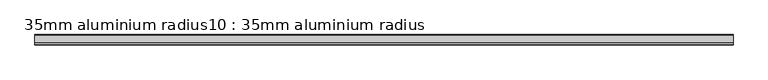
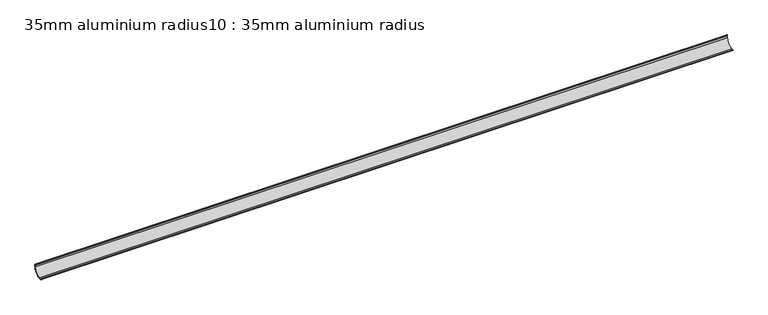
"""IFC4 building model written with IfcOpenShell, lengths in millimetres: proxy geometry, 35mm aluminium radius10 : 35mm aluminium radius."""

from ifc_helpers import new_model, si_unit, point, frame, frame_2d, origin, place, context, project, spatial, polyline, circle_curve, trimmed, segment, composite_curve, outline, extrude, source, transform, mapped, element, save


def proxy_35mm_aluminium_radius10_35mm_aluminium_radius_e5038175(model_context):
    return source(origin(), model_context, "Body", "SweptSolid", [
        extrude(outline(composite_curve([segment(trimmed(circle_curve(frame_2d((-9056.5783258, 33.7699793)), 1.2042709), [point((-9057.4871891, 34.5600654))], [point((-9057.7538557, 33.5084497))], True, "CARTESIAN"), True, "CONTINUOUS"), segment(polyline([(-9057.7538557, 33.5084497), (-9057.7538557, 26.8)]), True, "CONTINUOUS"), segment(trimmed(circle_curve(frame_2d((-9084.1538557, 26.8)), 26.4), [point((-9057.7538557, 26.8))], [point((-9058.9951594, 18.8))], False, "CARTESIAN"), True, "CONTINUOUS"), segment(polyline([(-9058.9951594, 18.8), (-9057.3538557, 18.8), (-9057.3538557, 17.4), (-9059.4840361, 17.4)]), True, "CONTINUOUS"), segment(trimmed(circle_curve(frame_2d((-9084.1538557, 26.8)), 26.4), [point((-9059.4840361, 17.4))], [point((-9074.7538557, 2.1301804))], False, "CARTESIAN"), True, "CONTINUOUS"), segment(polyline([(-9074.7538557, 2.1301804), (-9074.7538557, 0.0), (-9076.1538557, 0.0), (-9076.1538557, 1.6413037)]), True, "CONTINUOUS"), segment(trimmed(circle_curve(frame_2d((-9084.1538557, 26.8)), 26.4), [point((-9076.1538557, 1.6413037))], [point((-9084.1538557, 0.4))], False, "CARTESIAN"), True, "CONTINUOUS"), segment(polyline([(-9084.1538557, 0.4), (-9090.5001478, 0.4)]), True, "CONTINUOUS"), segment(trimmed(circle_curve(frame_2d((-9090.6943415, -2.4514518)), 2.8580567), [point((-9090.5001478, 0.4))], [point((-9091.9139211, 0.1333333))], True, "CARTESIAN"), True, "CONTINUOUS"), segment(trimmed(circle_curve(frame_2d((-9092.2538557, 0.5)), 0.5), [point((-9091.9139211, 0.1333333))], [point((-9092.626609, 0.8332491))], False, "CARTESIAN"), True, "CONTINUOUS"), segment(trimmed(circle_curve(frame_2d((-9090.420731, -1.2)), 3.0), [point((-9092.626609, 0.8332491))], [point((-9090.420731, 1.8))], False, "CARTESIAN"), True, "CONTINUOUS"), segment(polyline([(-9090.420731, 1.8), (-9084.1538557, 1.8)]), True, "CONTINUOUS"), segment(trimmed(circle_curve(frame_2d((-9084.1538557, 26.8)), 25.0), [point((-9084.1538557, 1.8))], [point((-9059.1538557, 26.8))], True, "CARTESIAN"), True, "CONTINUOUS"), segment(polyline([(-9059.1538557, 26.8), (-9059.1538557, 33.0668752)]), True, "CONTINUOUS"), segment(trimmed(circle_curve(frame_2d((-9056.1538557, 33.0668752)), 3.0), [point((-9059.1538557, 33.0668752))], [point((-9058.2004747, 35.2603544))], False, "CARTESIAN"), True, "CONTINUOUS"), segment(trimmed(circle_curve(frame_2d((-9057.8538557, 34.9)), 0.5), [point((-9058.2004747, 35.2603544))], [point((-9057.4871891, 34.5600654))], False, "CARTESIAN"), True, "CONTINUOUS")], self_intersect=False)), frame((4244.6309284, 0.0, 0.0), z_axis=(1.0, 0.0, 0.0), x_axis=(0.0, 1.0, 0.0)), (0.0, 0.0, 1.0), 2400.0),
    ])


if __name__ == "__main__":
    model = new_model("IFC4")
    model_context = context("Model", 3, world=origin())
    ifc_project = project(units=[si_unit("LENGTHUNIT", "METRE", prefix="MILLI")], contexts=[model_context])
    site = spatial("IfcSite", under=ifc_project)
    building = spatial("IfcBuilding", under=site)
    placement = place(None, origin())
    proxy_35mm_aluminium_radius10_35mm_aluminium_radius_shape = proxy_35mm_aluminium_radius10_35mm_aluminium_radius_e5038175(model_context)
    element("IfcBuildingElementProxy", 1, Name="35mm aluminium radius10 : 35mm aluminium radius", ObjectType="35mm aluminium radius10 : 35mm aluminium radius", at=placement, inside=building, context=model_context, shape_type="MappedRepresentation", body=[
        mapped(proxy_35mm_aluminium_radius10_35mm_aluminium_radius_shape, transform((0.0, 0.0, 0.0), x_axis=(1.0, 0.0, 0.0), y_axis=(0.0, 1.0, 0.0), z_axis=(0.0, 0.0, 1.0))),
    ])
    save(model, "model.ifc")
